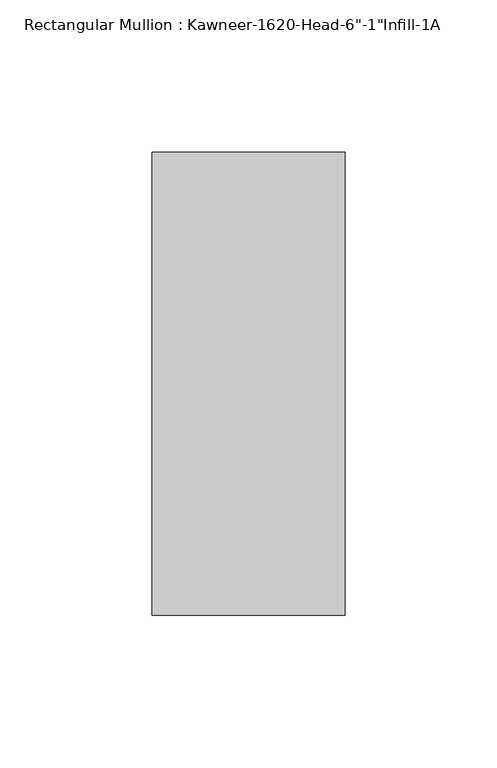
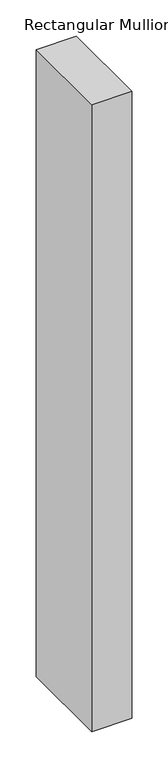
"""IFC4 building model written with IfcOpenShell, lengths in millimetres: member geometry."""

from ifc_helpers import new_model, si_unit, frame, origin, place, context, project, spatial, polyline, outline, extrude, source, transform, mapped, element, save


def member_6e6633e3(model_context):
    return source(origin(), model_context, "Body", "SweptSolid", [
        extrude(outline(polyline([(-63.5, 38.1), (0.0, 38.1), (0.0, -114.3), (-63.5, -114.3), (-63.5, 38.1)])), frame((0.0, 0.0, -1054.1), z_axis=(0.0, 0.0, 1.0), x_axis=(1.0, 0.0, 0.0)), (0.0, 0.0, 1.0), 1054.1),
    ])


if __name__ == "__main__":
    model = new_model("IFC4")
    model_context = context("Model", 3, world=origin())
    ifc_project = project(units=[si_unit("LENGTHUNIT", "METRE", prefix="MILLI")], contexts=[model_context])
    site = spatial("IfcSite", under=ifc_project)
    building = spatial("IfcBuilding", under=site)
    placement = place(None, origin())
    member_shape = member_6e6633e3(model_context)
    element("IfcMember", 1, ObjectType="Rectangular Mullion : Kawneer-1620-Head-6\"-1\"Infill-1A", at=placement, inside=building, context=model_context, shape_type="MappedRepresentation", body=[
        mapped(member_shape, transform((0.0, 0.0, 0.0), x_axis=(1.0, 0.0, 0.0), y_axis=(0.0, 1.0, 0.0), z_axis=(0.0, 0.0, 1.0))),
    ])
    save(model, "model.ifc")
